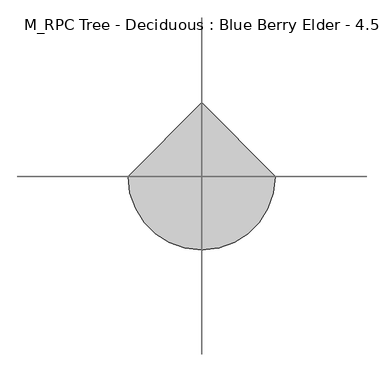
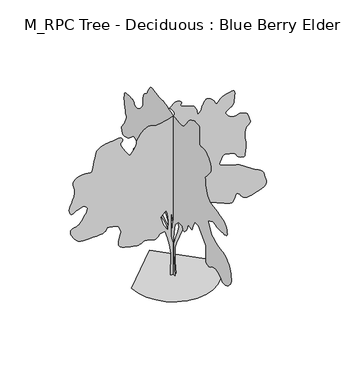
"""IFC4 building model written with IfcOpenShell, lengths in millimetres: geographic element geometry, M_RPC Tree - Deciduous : Blue Berry Elder - 4.5 Meters."""

from ifc_helpers import new_model, si_unit, origin, place, context, project, spatial, triangles, source, transform, mapped, element, save


def m_rpc_tree_deciduous_blue_berry_elder_4_5_meters_0b743bd7(model_context):
    return source(origin(), model_context, "Body", "Tessellation", [
        triangles([(-0.0014684, 58.7037978, 0.0041346), (-0.0014684, -62.498052, 0.0041346), (-0.0014684, -15.3641626, 565.6129683), (-0.0014684, -1.8971866, 909.0182064), (-0.0014684, -22.0974929, 1104.2884094), (-0.0014684, -75.9650625, 1326.4911255), (-0.0014684, -224.1009287, 1474.6287403), (-0.0014684, -378.970291, 1474.6287403), (-0.0014684, -412.6378218, 1380.3586224), (-0.0014684, -479.9703761, 1387.0936764), (-0.0014684, -554.0404552, 1474.6287403), (-0.0014684, -601.1729708, 1568.8962421), (-0.0014684, -628.1080273, 1663.1638893), (-0.0014684, -702.1755993, 1636.2313763), (-0.0014684, -782.9756092, 1629.4963223), (-0.0014684, -857.0431812, 1797.8340122), (-0.0014684, -910.9107508, 1898.8340973), (-0.0014684, -1059.0483656, 1892.1015141), (-0.0014684, -1173.5159426, 1797.8340122), (-0.0014684, -1382.2535648, 1575.6288254), (-0.0014684, -1388.9861481, 1353.4261093), (-0.0014684, -1386.9236286, 1327.021035), (-0.0014684, -1382.3910564, 1295.553479), (-0.0014684, -1377.8561588, 1261.3760593), (-0.0014684, -1375.7936394, 1226.8434288), (-0.0014684, -1378.6786377, 1194.3159811), (-0.0014684, -1388.9861481, 1166.1459709), (-0.0014684, -1409.1860779, 1144.6884144), (-0.0014684, -1434.4711624, 1129.1809307), (-0.0014684, -1458.931152, 1117.9109064), (-0.0014684, -1483.3911415, 1111.8258854), (-0.0014684, -1508.676226, 1111.8659266), (-0.0014684, -1535.6112099, 1118.9734142), (-0.0014684, -1565.0162464, 1134.0884073), (-0.0014684, -1597.723843, 1158.1559063), (-0.0014684, -1638.2812511, 1183.6959898), (-0.0014684, -1688.0263252, 1202.5210035), (-0.0014684, -1742.9539318, 1214.5159836), (-0.0014684, -1799.0589375, 1219.5610245), (-0.0014684, -1852.3364994, 1217.541017), (-0.0014684, -1898.7841003, 1208.3335121), (-0.0014684, -1934.3939907, 1191.8234734), (-0.0014684, -1963.8416119, 1167.0484594), (-0.0014684, -1995.1716763, 1136.2684341), (-0.0014684, -2029.446619, 1104.1908863), (-0.0014684, -2067.729166, 1075.5283916), (-0.0014684, -2111.0741947, 1054.9958513), (-0.0014684, -2160.5442856, 1047.2983561), (-0.0014684, -2217.1992577, 1057.1533504), (-0.0014684, -2275.1493542, 1083.4008762), (-0.0014684, -2327.0944393, 1119.5408941), (-0.0014684, -2371.9694618, 1162.2784744), (-0.0014684, -2408.7193989, 1208.3134552), (-0.0014684, -2436.2819607, 1254.3485813), (-0.0014684, -2453.5944214, 1297.0836182), (-0.0014684, -2459.6019035, 1333.2260342), (-0.0014684, -2455.754464, 1372.7236233), (-0.0014684, -2445.3120781, 1424.1161259), (-0.0014684, -2429.919413, 1481.9887562), (-0.0014684, -2411.2318909, 1540.9212055), (-0.0014684, -2390.8944695, 1595.4962173), (-0.0014684, -2370.5569027, 1640.2937737), (-0.0014684, -2351.8669098, 1669.8963272), (-0.0014684, -2330.1568977, 1694.4363991), (-0.0014684, -2300.199424, 1725.2163517), (-0.0014684, -2262.8217636, 1758.5913494), (-0.0014684, -2218.8493023, 1790.903912), (-0.0014684, -2169.1042282, 1818.5039715), (-0.0014684, -2114.4116364, 1837.74146), (-0.0014684, -2055.5966217, 1844.9664551), (-0.0014684, -1994.4066067, 1849.8740044), (-0.0014684, -1932.1566273, 1863.6164795), (-0.0014684, -1869.0239983, 1884.7189705), (-0.0014684, -1805.1839996, 1911.7115089), (-0.0014684, -1740.8139462, 1943.1215103), (-0.0014684, -1676.0888271, 1977.4765354), (-0.0014684, -1611.1888641, 2013.3016743), (-0.0014684, -1469.786158, 2275.9068661), (-0.0014684, -1685.2562908, 2376.9094219), (-0.0014684, -1714.2713802, 2368.3093655), (-0.0014684, -1744.228854, 2360.0643745), (-0.0014684, -1776.0713871, 2352.5268986), (-0.0014684, -1810.7388931, 2346.049387), (-0.0014684, -1849.1765179, 2340.9844345), (-0.0014684, -1892.3265003, 2337.686816), (-0.0014684, -1941.1290447, 2336.5069462), (-0.0014684, -1996.881601, 2336.291843), (-0.0014684, -2057.3441895, 2336.4293346), (-0.0014684, -2118.1616982, 2338.0968201), (-0.0014684, -2174.9742188, 2342.4769306), (-0.0014684, -2223.421843, 2350.7393623), (-0.0014684, -2259.1517841, 2364.0693626), (-0.0014684, -2277.7993378, 2383.6418598), (-0.0014684, -2281.3744102, 2414.4819832), (-0.0014684, -2275.8767807, 2457.2194908), (-0.0014684, -2262.9592552, 2506.4269524), (-0.0014684, -2244.2692623, 2556.7020813), (-0.0014684, -2221.4593174, 2602.6271851), (-0.0014684, -2196.1742329, 2638.7770134), (-0.0014684, -2170.0641987, 2659.7021896), (-0.0014684, -2143.7192951, 2670.2021301), (-0.0014684, -2115.1367374, 2679.2771576), (-0.0014684, -2082.0791622, 2687.9772079), (-0.0014684, -2042.3065899, 2697.4022141), (-0.0014684, -1993.581657, 2708.6021118), (-0.0014684, -1933.6665642, 2722.6021294), (-0.0014684, -1860.326564, 2740.5021996), (-0.0014684, -1781.7239491, 2758.3022758), (-0.0014684, -1708.0688519, 2773.1522415), (-0.0014684, -1640.1838966, 2787.8522163), (-0.0014684, -1578.8962132, 2805.302314), (-0.0014684, -1525.0287163, 2828.2773651), (-0.0014684, -1479.4062103, 2859.6021973), (-0.0014684, -1442.8536449, 2902.1272179), (-0.0014684, -1414.8411106, 2953.5272781), (-0.0014684, -1393.5411026, 3009.1773697), (-0.0014684, -1377.8361019, 3068.3775352), (-0.0014684, -1366.6061188, 3130.3775299), (-0.0014684, -1358.7336342, 3194.527684), (-0.0014684, -1353.1011292, 3260.0777527), (-0.0014684, -1348.5861431, 3326.3277786), (-0.0014684, -1398.7811897, 3378.2528069), (-0.0014684, -1447.1536732, 3430.0528427), (-0.0014684, -1491.8711472, 3481.6278923), (-0.0014684, -1531.1136646, 3532.8529633), (-0.0014684, -1563.0537209, 3583.577774), (-0.0014684, -1585.8662819, 3633.7529091), (-0.0014684, -1597.723843, 3683.2030884), (-0.0014684, -1593.7188549, 3737.8779488), (-0.0014684, -1572.2812099, 3799.8529449), (-0.0014684, -1536.5912373, 3863.2281464), (-0.0014684, -1489.8311554, 3922.153038), (-0.0014684, -1435.1786774, 3970.7032722), (-0.0014684, -1375.8135509, 4002.9783371), (-0.0014684, -1314.918576, 4013.128299), (-0.0014684, -1258.4585049, 4010.1031929), (-0.0014684, -1210.3634754, 4007.7533363), (-0.0014684, -1170.7484516, 4007.6533424), (-0.0014684, -1139.7309408, 4011.3281181), (-0.0014684, -1117.4309212, 4020.3031517), (-0.0014684, -1103.9633566, 4036.1033501), (-0.0014684, -1099.4483706, 4060.2783279), (-0.0014684, -1101.1558971, 4105.3531929), (-0.0014684, -1104.8659178, 4175.1532928), (-0.0014684, -1108.4584311, 4258.1534592), (-0.0014684, -1109.8133629, 4342.8035248), (-0.0014684, -1106.8083864, 4417.5536133), (-0.0014684, -1097.3283691, 4470.8785561), (-0.0014684, -1079.2483681, 4491.2037689), (-0.0014684, -1052.7858845, 4492.578685), (-0.0014684, -1020.9033102, 4495.6035004), (-0.0014684, -985.6082989, 4498.6286064), (-0.0014684, -948.8982576, 4500.0035225), (-0.0014684, -912.7757532, 4498.07864), (-0.0014684, -879.2456778, 4491.2037689), (-0.0014684, -850.3106707, 4477.7537178), (-0.0014684, -822.8281912, 4461.7535316), (-0.0014684, -792.8706448, 4447.2035477), (-0.0014684, -761.2631264, 4432.1535942), (-0.0014684, -728.8330564, 4414.7534935), (-0.0014684, -696.4030592, 4393.1286507), (-0.0014684, -664.7980116, 4365.3786003), (-0.0014684, -634.8405378, 4329.6034584), (-0.0014684, -604.8054889, 4286.4284775), (-0.0014684, -572.6504748, 4239.8534134), (-0.0014684, -538.7279451, 4193.0283646), (-0.0014684, -503.3904219, 4149.1534264), (-0.0014684, -466.9953687, 4111.403405), (-0.0014684, -429.8928369, 4082.9533974), (-0.0014684, -392.4378193, 4067.0032082), (-0.0014684, -354.0977903, 4061.0282822), (-0.0014684, -314.1102602, 4059.6533661), (-0.0014684, -272.4727218, 4061.703241), (-0.0014684, -229.1851932, 4065.9782707), (-0.0014684, -184.2498909, 4071.3282349), (-0.0014684, -137.6653616, 4076.5532066), (-0.0014684, -89.4320684, 4080.4782578), (-0.0014684, -32.5020268, 4087.803392), (-0.0014684, 35.3820291, 4102.1033913), (-0.0014684, 107.0353362, 4120.403437), (-0.0014684, 175.2726409, 4139.7534187), (-0.0014684, 232.909439, 4157.2282242), (-0.0014684, 272.7602224, 4169.8783241), (-0.0014684, 287.6402371, 4174.7283188), (-0.0014684, 295.8277461, 4177.2784538), (-0.0014684, 318.5002539, 4183.6033585), (-0.0014684, 352.8352947, 4191.7034454), (-0.0014684, 396.002827, 4199.553257), (-0.0014684, 445.1803485, 4205.1534966), (-0.0014684, 497.5354013, 4206.5284126), (-0.0014684, 550.2454471, 4201.678418), (-0.0014684, 608.3329988, 4200.728476), (-0.0014684, 675.2555128, 4211.4534027), (-0.0014684, 745.8280947, 4228.1785446), (-0.0014684, 814.8706827, 4245.2533745), (-0.0014684, 877.2007444, 4257.0285278), (-0.0014684, 927.6307331, 4257.8534775), (-0.0014684, 960.9857466, 4242.0785683), (-0.0014684, 983.9932812, 4214.9534798), (-0.0014684, 1006.5283155, 4185.8035149), (-0.0014684, 1028.1233637, 4155.1533508), (-0.0014684, 1048.3033819, 4123.4282524), (-0.0014684, 1066.5983408, 4091.1031906), (-0.0014684, 1082.5408997, 4058.6781349), (-0.0014684, 1095.6533987, 4026.6033485), (-0.0014684, 1111.3184309, 3999.2282753), (-0.0014684, 1133.5808802, 3978.353096), (-0.0014684, 1159.9634268, 3960.5283119), (-0.0014684, 1187.9984888, 3942.3532585), (-0.0014684, 1215.2059851, 3920.4031448), (-0.0014684, 1239.1159355, 3891.2531799), (-0.0014684, 1257.255962, 3851.5279884), (-0.0014684, 1268.2685165, 3817.1530518), (-0.0014684, 1273.6285091, 3800.8031776), (-0.0014684, 1275.1010937, 3794.1030052), (-0.0014684, 1274.4534588, 3788.7030441), (-0.0014684, 1273.451049, 3776.252932), (-0.0014684, 1273.8635239, 3748.3528908), (-0.0014684, 1277.4560371, 3696.6528488), (-0.0014684, 1283.7985279, 3637.6029648), (-0.0014684, 1291.9060272, 3591.1778915), (-0.0014684, 1302.7210648, 3554.2528198), (-0.0014684, 1317.1884956, 3523.8279327), (-0.0014684, 1336.2511402, 3496.8278366), (-0.0014684, 1360.8486214, 3470.1527206), (-0.0014684, 1391.9260849, 3440.8027679), (-0.0014684, 1427.2211689, 3411.5778076), (-0.0014684, 1463.2262386, 3387.677813), (-0.0014684, 1498.9912067, 3369.4027657), (-0.0014684, 1533.5812466, 3357.1526413), (-0.0014684, 1566.0512123, 3351.2777092), (-0.0014684, 1595.4587196, 3352.1026588), (-0.0014684, 1620.8612389, 3360.002758), (-0.0014684, 1639.7087803, 3375.502684), (-0.0014684, 1652.8988182, 3396.6528465), (-0.0014684, 1664.6789131, 3420.0528717), (-0.0014684, 1679.2838356, 3442.2776779), (-0.0014684, 1700.9563499, 3459.9027649), (-0.0014684, 1733.936459, 3469.5277588), (-0.0014684, 1782.4638748, 3467.7278687), (-0.0014684, 1840.5514629, 3464.2277916), (-0.0014684, 1897.5815575, 3466.9779144), (-0.0014684, 1950.8390625, 3469.852739), (-0.0014684, 1997.6216721, 3466.7029312), (-0.0014684, 2035.2141449, 3451.4277008), (-0.0014684, 2060.9117043, 3417.9027122), (-0.0014684, 2072.001725, 3360.002758), (-0.0014684, 2074.396637, 3302.2527946), (-0.0014684, 2075.4967152, 3266.6526421), (-0.0014684, 2074.8291687, 3243.2026199), (-0.0014684, 2071.9241135, 3221.8774681), (-0.0014684, 2066.3091946, 3192.6275093), (-0.0014684, 2057.5140919, 3145.5024788), (-0.0014684, 2045.069212, 3070.4524086), (-0.0014684, 2028.7941879, 2993.7774376), (-0.0014684, 2011.3440903, 2941.8274109), (-0.0014684, 1996.4816254, 2904.7273499), (-0.0014684, 1987.9815628, 2872.5772774), (-0.0014684, 1989.6115505, 2835.4772163), (-0.0014684, 2005.1390911, 2783.5271896), (-0.0014684, 2038.3341579, 2706.8522186), (-0.0014684, 2081.1517479, 2626.4521843), (-0.0014684, 2121.139278, 2566.6770538), (-0.0014684, 2155.4742462, 2522.5771294), (-0.0014684, 2181.326738, 2489.1794586), (-0.0014684, 2195.8742512, 2461.5570168), (-0.0014684, 2196.286726, 2434.7619953), (-0.0014684, 2179.7367187, 2403.841935), (-0.0014684, 2160.4392048, 2371.8244125), (-0.0014684, 2149.859182, 2345.5768867), (-0.0014684, 2141.0441677, 2325.9269234), (-0.0014684, 2127.0467663, 2313.6968559), (-0.0014684, 2100.919146, 2309.7119247), (-0.0014684, 2055.7091148, 2314.7969341), (-0.0014684, 1984.4666611, 2329.7743629), (-0.0014684, 1906.7291096, 2358.6118469), (-0.0014684, 1844.06651, 2399.6994553), (-0.0014684, 1792.5939251, 2445.4995667), (-0.0014684, 1748.4239468, 2488.4719437), (-0.0014684, 1707.671347, 2521.0769302), (-0.0014684, 1666.4437763, 2535.7769051), (-0.0014684, 1620.8612389, 2525.0519783), (-0.0014684, 1576.9088345, 2499.6619583), (-0.0014684, 1542.1411892, 2475.3396057), (-0.0014684, 1515.031216, 2451.8994667), (-0.0014684, 1494.0461597, 2429.166988), (-0.0014684, 1477.653701, 2406.9644188), (-0.0014684, 1464.3237007, 2385.1144444), (-0.0014684, 1452.526165, 2363.44193), (-0.0014684, 1471.2737125, 2344.7718487), (-0.0014684, 1489.9612347, 2326.6344383), (-0.0014684, 1508.5336475, 2309.5543762), (-0.0014684, 1526.9262749, 2294.0668041), (-0.0014684, 1545.0862129, 2280.6968353), (-0.0014684, 1562.9512562, 2269.9793209), (-0.0014684, 1580.4612339, 2262.4393742), (-0.0014684, 1599.1313152, 2259.024321), (-0.0014684, 1619.331245, 2258.1993713), (-0.0014684, 1639.2963055, 2256.7868122), (-0.0014684, 1657.2588718, 2251.6042797), (-0.0014684, 1671.4513195, 2239.4718807), (-0.0014684, 1680.1087852, 2217.2092861), (-0.0014684, 1681.4637897, 2181.6392189), (-0.0014684, 1676.9863014, 2141.9842266), (-0.0014684, 1669.5664055, 2107.6292015), (-0.0014684, 1659.5537899, 2075.631736), (-0.0014684, 1647.3038109, 2043.0441902), (-0.0014684, 1633.1713886, 2006.9216858), (-0.0014684, 1617.5037403, 1964.3241405), (-0.0014684, 1600.6613091, 1912.3015892), (-0.0014684, 1583.268766, 1853.7415009), (-0.0014684, 1567.0537674, 1795.0639778), (-0.0014684, 1554.0188072, 1738.6264343), (-0.0014684, 1546.1662342, 1686.7788723), (-0.0014684, 1545.4986877, 1641.8837929), (-0.0014684, 1554.0188072, 1606.2938141), (-0.0014684, 1573.728796, 1582.3637341), (-0.0014684, 1599.1112583, 1566.4212479), (-0.0014684, 1623.4337563, 1552.9562267), (-0.0014684, 1646.8738953, 1541.5487835), (-0.0014684, 1669.606374, 1531.7937103), (-0.0014684, 1691.8087978, 1523.2737362), (-0.0014684, 1713.6589176, 1515.5787117), (-0.0014684, 1735.331432, 1508.2936913), (-0.0014684, 1758.2389, 1518.0512352), (-0.0014684, 1780.0888744, 1525.7462597), (-0.0014684, 1799.8189201, 1529.318716), (-0.0014684, 1816.3664566, 1526.7087009), (-0.0014684, 1828.676461, 1515.8536949), (-0.0014684, 1835.6840275, 1494.6911785), (-0.0014684, 1836.331517, 1461.1612484), (-0.0014684, 1830.501495, 1425.4711304), (-0.0014684, 1819.3715057, 1398.2636341), (-0.0014684, 1803.8239082, 1378.1211136), (-0.0014684, 1784.7414974, 1363.6336258), (-0.0014684, 1763.0089577, 1353.3861408), (-0.0014684, 1739.5114094, 1345.9660995), (-0.0014684, 1715.128886, 1339.9586174), (-0.0014684, 1703.5663651, 1332.6360992), (-0.0014684, 1691.8864094, 1324.6660915), (-0.0014684, 1679.9712936, 1315.4011047), (-0.0014684, 1667.701403, 1304.1910332), (-0.0014684, 1654.9613377, 1290.3910034), (-0.0014684, 1641.6313374, 1273.3510551), (-0.0014684, 1627.5962929, 1252.4235535), (-0.0014684, 1608.2588104, 1230.1234612), (-0.0014684, 1580.0887276, 1209.2360006), (-0.0014684, 1544.5563034, 1189.5259392), (-0.0014684, 1503.1336864, 1170.7584801), (-0.0014684, 1457.2962227, 1152.6984632), (-0.0014684, 1408.5135899, 1135.1084032), (-0.0014684, 1358.2586632, 1117.7559013), (-0.0014684, 1196.6559546, 1212.0234758), (-0.0014684, 1035.0533186, 1090.8208448), (-0.0014684, 1013.4382862, 1088.0133854), (-0.0014684, 992.0007866, 1085.6783535), (-0.0014684, 970.9182798, 1084.2833805), (-0.0014684, 950.3632845, 1084.3033648), (-0.0014684, 930.5182749, 1086.2084084), (-0.0014684, 911.5532261, 1090.4683954), (-0.0014684, 893.6507578, 1097.5558989), (-0.0014684, 877.0431959, 1106.938393), (-0.0014684, 861.3756929, 1117.3809242), (-0.0014684, 845.9456755, 1128.295883), (-0.0014684, 830.0457012, 1139.0934071), (-0.0014684, 812.9656391, 1149.1834162), (-0.0014684, 794.0031338, 1157.9784462), (-0.0014684, 772.4481268, 1164.8884169), (-0.0014684, 748.1855816, 1170.2684664), (-0.0014684, 721.8005642, 1174.9409283), (-0.0014684, 693.6505383, 1179.0234552), (-0.0014684, 664.0855551, 1182.6359528), (-0.0014684, 633.4605349, 1185.8934574), (-0.0014684, 602.1304705, 1188.9184908), (-0.0014684, 570.4454495, 1191.8234734), (-0.0014684, 361.7077909, 1131.2209225), (-0.0014684, 186.6391528, 1003.2857809), (-0.0014684, 92.3710787, 848.418199), (-0.0014684, 45.2367873, 552.1454401), (-0.0013758, 65.4370532, 1097.5558989), (-0.0013758, 166.4388778, 1313.0261044), (-0.0013758, 4.8361539, 1380.3586224), (-0.0013882, 307.8402577, 1171.6234709), (-0.0013882, 469.4428937, 1279.3585373), (-0.0013882, 597.3779989, 1286.0909752), (-0.0013882, 705.1130653, 1346.6910553), (-0.0013882, 699.3031002, 1349.8135391), (-0.0013882, 693.2555769, 1354.3485821), (-0.0013882, 686.7405676, 1361.7110687), (-0.0013882, 679.5155725, 1373.3110874), (-0.0013882, 671.3480478, 1390.5686096), (-0.0013882, 662.0055222, 1414.8911076), (-0.0013882, 651.2454958, 1447.6936111), (-0.0013882, 642.6479828, 1480.1036968), (-0.0013882, 639.3505096, 1503.3287327), (-0.0013882, 640.4680286, 1518.8962418), (-0.0013882, 645.1205063, 1528.3386887), (-0.0013882, 652.425511, 1533.1862125), (-0.0013882, 661.4930534, 1534.9737488), (-0.0013882, 671.4480417, 1535.2286751), (-0.0013882, 678.1805523, 1616.0288303), (-0.0013882, 597.3779989, 1669.8963272), (-0.0013882, 422.3103418, 1521.7611832), (-0.0013882, 301.1077472, 1380.3586224), (-0.0013882, 220.3061749, 1265.8910454), (-0.0013882, 139.504866, 1084.0884069), (66.6360534, 0.0002629, 0.0), (-68.0330566, 0.0002629, 0.0), (-61.2998012, 0.0002272, 552.142933), (-94.9670776, 0.0002139, 794.5456152), (-142.1008648, 0.0002005, 996.5483288), (-202.7016716, 0.0001916, 1178.3509672), (-323.9027584, 0.0001916, 1164.8859461), (-344.1627863, 0.0001916, 1136.3209019), (-364.7752999, 0.000196, 1109.5258804), (-386.0953285, 0.000196, 1086.2633469), (-408.4753215, 0.000196, 1068.3008532), (-432.2678372, 0.0002005, 1057.4058786), (-457.8253615, 0.0002005, 1055.3433592), (-485.5053944, 0.000196, 1063.8833902), (-514.9529065, 0.000196, 1076.7408903), (-545.4604557, 0.000196, 1086.7733448), (-576.8504728, 0.000196, 1094.448385), (-608.9454978, 0.000196, 1100.2409094), (-641.5730484, 0.000196, 1104.6184038), (-674.5530121, 0.000196, 1108.0533686), (-707.7105812, 0.000196, 1111.0183765), (-735.2131176, 0.000196, 1095.3133759), (-763.2456362, 0.000196, 1080.6083868), (-792.3406626, 0.000196, 1067.9083626), (-823.0231647, 0.000196, 1058.210844), (-855.8256683, 0.0002005, 1052.5183863), (-891.280699, 0.0002005, 1051.8308556), (-929.9132246, 0.0002005, 1057.1508797), (-979.8558157, 0.000196, 1066.7883728), (-1044.1658438, 0.000196, 1079.0183676), (-1115.7808765, 0.000196, 1094.7833937), (-1187.630924, 0.000196, 1115.0233646), (-1252.6485397, 0.0001916, 1140.6809555), (-1303.7660591, 0.0001916, 1172.6984779), (-1333.9185791, 0.0001871, 1212.0184616), (-1343.6560661, 0.0001871, 1258.8785374), (-1340.9085594, 0.0001827, 1310.6835148), (-1329.6785763, 0.0001782, 1364.141153), (-1313.9735756, 0.0001782, 1415.9461304), (-1297.7985455, 0.0001738, 1462.8062061), (-1285.1560032, 0.0001738, 1501.4186749), (-1280.0510822, 0.0001693, 1528.4912956), (-1282.3885849, 0.0001693, 1551.6362492), (-1288.8460396, 0.0001693, 1579.2562202), (-1298.6035835, 0.0001648, 1609.2337509), (-1310.8335056, 0.0001648, 1639.4462963), (-1324.7136177, 0.0001604, 1667.7737823), (-1339.4160633, 0.0001604, 1692.0964256), (-1354.121125, 0.0001604, 1710.2938614), (-1373.4561367, 0.0001604, 1723.3488785), (-1401.6286903, 0.0001559, 1733.9289013), (-1437.1586437, 0.0001559, 1742.4488754), (-1478.5812607, 0.0001559, 1749.3189503), (-1524.4187244, 0.0001559, 1754.9539261), (-1573.2012119, 0.0001559, 1759.7639523), (-1623.456284, 0.0001559, 1764.1613583), (-1631.2713593, 0.0001559, 1738.3664211), (-1642.6763317, 0.0001604, 1713.6314484), (-1661.2663307, 0.0001604, 1691.0164043), (-1690.6363403, 0.0001604, 1671.5813988), (-1734.3739323, 0.0001604, 1656.386396), (-1796.0739452, 0.0001648, 1646.4938313), (-1879.3290379, 0.0001648, 1642.9588726), (-1971.5741341, 0.0001648, 1640.6613384), (-2057.4616241, 0.0001648, 1636.1262955), (-2136.396777, 0.0001648, 1632.8888477), (-2207.7943085, 0.0001648, 1634.478867), (-2271.0668999, 0.0001648, 1644.4313118), (-2325.619384, 0.0001604, 1666.2812862), (-2370.8693836, 0.0001604, 1703.5614235), (-2411.8019142, 0.0001559, 1752.5588688), (-2450.9643494, 0.0001559, 1805.3264328), (-2484.1219185, 0.0001515, 1859.0389973), (-2507.0269157, 0.000147, 1910.8640316), (-2515.4519829, 0.0001426, 1957.9790337), (-2505.1520302, 0.0001426, 1997.554089), (-2471.8720848, 0.0001426, 2026.7640793), (-2428.4670307, 0.0001381, 2045.1192089), (-2390.1269291, 0.0001381, 2056.5266521), (-2356.1468811, 0.0001381, 2064.7517315), (-2325.816901, 0.0001381, 2073.5667458), (-2298.4317993, 0.0001381, 2086.7391975), (-2273.2843517, 0.0001337, 2108.0367348), (-2249.6667526, 0.0001337, 2141.2342724), (-2221.7142437, 0.0001292, 2184.9518074), (-2187.6342018, 0.0001292, 2233.7342949), (-2152.8467903, 0.0001247, 2285.2267914), (-2122.7717365, 0.0001203, 2337.0718826), (-2102.826733, 0.0001203, 2386.9169506), (-2098.4291817, 0.0001158, 2432.401965), (-2114.9992458, 0.0001158, 2471.1721275), (-2145.426749, 0.0001114, 2498.537027), (-2178.6816959, 0.0001114, 2512.8271431), (-2214.2917316, 0.0001114, 2516.2269356), (-2251.7868267, 0.0001114, 2510.9019699), (-2290.6968063, 0.0001114, 2499.0494957), (-2330.5468449, 0.0001114, 2482.831881), (-2370.8693836, 0.0001158, 2464.439399), (-2399.569376, 0.0001158, 2448.8118645), (-2427.3294548, 0.0001158, 2434.6595306), (-2453.2020035, 0.0001158, 2423.4494591), (-2476.2471085, 0.0001158, 2416.6569958), (-2495.5270363, 0.0001158, 2415.7544346), (-2510.1020187, 0.0001158, 2422.2118893), (-2519.0020569, 0.0001158, 2437.5044151), (-2525.7269371, 0.0001158, 2456.4494797), (-2533.1520653, 0.0001158, 2474.4518692), (-2539.5019684, 0.0001114, 2493.8669632), (-2543.0270439, 0.0001114, 2517.0521759), (-2541.977108, 0.0001114, 2546.3521317), (-2534.5519798, 0.0001069, 2584.15215), (-2519.0020569, 0.0001025, 2632.7770889), (-2498.1969315, 0.0001025, 2684.6521202), (-2477.0345604, 9.8e-05, 2732.0771324), (-2456.8145737, 9.8e-05, 2777.1272896), (-2438.8319504, 9.36e-05, 2821.9271713), (-2424.3844311, 8.91e-05, 2868.6522263), (-2414.7643787, 8.91e-05, 2919.3523293), (-2411.2693886, 8.47e-05, 2976.1773491), (-2415.2169674, 8.02e-05, 3030.6775108), (-2424.696912, 8.02e-05, 3074.9274261), (-2436.1819668, 7.57e-05, 3111.8774963), (-2446.1344116, 7.57e-05, 3144.4525429), (-2451.0245201, 7.13e-05, 3175.6276749), (-2447.311956, 7.13e-05, 3208.3277138), (-2431.4719345, 6.68e-05, 3245.527478), (-2401.6519524, 6.68e-05, 3281.1526291), (-2361.1144558, 6.24e-05, 3307.9527374), (-2313.9793968, 6.24e-05, 3326.977739), (-2264.3718143, 6.24e-05, 3339.2775696), (-2216.4142765, 6.24e-05, 3345.9277451), (-2174.2267353, 6.24e-05, 3348.0026184), (-2141.9342297, 6.24e-05, 3346.5277084), (-2114.2341763, 6.24e-05, 3341.002755), (-2084.4141941, 6.24e-05, 3332.902668), (-2054.4766319, 6.24e-05, 3326.2027863), (-2026.4241291, 6.24e-05, 3324.9275734), (-2002.2565636, 6.24e-05, 3333.0776573), (-1983.9816616, 6.24e-05, 3354.6527939), (-1973.5965397, 5.79e-05, 3393.652739), (-1964.8216393, 5.35e-05, 3450.0277863), (-1951.2165104, 5.35e-05, 3517.3777451), (-1934.5515392, 4.9e-05, 3590.1279556), (-1916.5891182, 4.46e-05, 3662.7528831), (-1899.0965813, 4.01e-05, 3729.7281555), (-1883.8440239, 3.56e-05, 3785.5279472), (-1872.5939838, 3.12e-05, 3824.6031784), (-1852.5114887, 3.12e-05, 3852.8781967), (-1813.3489082, 3.12e-05, 3879.4030312), (-1760.7564789, 2.67e-05, 3903.2280304), (-1700.3914135, 2.67e-05, 3923.3782539), (-1637.906274, 2.67e-05, 3938.9531754), (-1578.9537678, 2.67e-05, 3948.9781448), (-1529.1887821, 2.67e-05, 3952.5282188), (-1482.7811497, 2.67e-05, 3955.978299), (-1432.4861092, 2.67e-05, 3963.6781197), (-1381.8386192, 2.67e-05, 3971.6032173), (-1334.3710224, 2.23e-05, 3975.7782532), (-1293.6160973, 2.67e-05, 3972.1531837), (-1263.1109825, 2.67e-05, 3956.7782501), (-1246.3835152, 2.67e-05, 3925.6031181), (-1245.9735111, 3.12e-05, 3891.2531799), (-1257.1035004, 3.12e-05, 3865.2780212), (-1272.3560577, 3.12e-05, 3842.0279869), (-1284.3134674, 3.56e-05, 3815.8281326), (-1285.5485664, 3.56e-05, 3781.0029327), (-1268.6459644, 4.01e-05, 3731.9530197), (-1226.1860561, 4.46e-05, 3663.0028679), (-1175.7534513, 4.9e-05, 3589.303006), (-1137.6884056, 4.9e-05, 3530.2028343), (-1108.6933731, 5.35e-05, 3486.3028976), (-1085.4708807, 5.35e-05, 3458.2028687), (-1064.7208391, 5.79e-05, 3446.4527138), (-1043.1458479, 5.35e-05, 3451.6776855), (-1017.4482885, 5.35e-05, 3474.4527489), (-990.2407923, 5.35e-05, 3507.3527756), (-966.3282984, 4.9e-05, 3542.2529709), (-945.7157484, 4.9e-05, 3578.7027809), (-928.403215, 4.46e-05, 3616.2028175), (-914.3857567, 4.46e-05, 3654.2778191), (-903.6682423, 4.01e-05, 3692.4781036), (-896.2457302, 4.01e-05, 3730.3281189), (-882.6607309, 3.56e-05, 3773.9530724), (-855.1781788, 3.12e-05, 3826.1530838), (-816.3881773, 3.12e-05, 3881.5531906), (-768.880612, 2.67e-05, 3934.7281425), (-715.2480572, 2.23e-05, 3980.2282722), (-658.0830145, 2.23e-05, 4012.6533279), (-599.9754785, 2.23e-05, 4026.6033485), (-552.8204352, 2.23e-05, 4024.7781693), (-521.215424, 2.23e-05, 4016.1031174), (-496.7928958, 2.23e-05, 4004.503244), (-471.1953667, 2.23e-05, 3993.8533127), (-436.0553604, 2.23e-05, 3988.0280869), (-383.0128132, 2.23e-05, 3990.9032021), (-303.7027378, 2.23e-05, 4006.4031281), (-214.7551692, 2.23e-05, 4026.5783501), (-138.763614, 2.23e-05, 4042.5282486), (-76.3173075, 1.78e-05, 4056.5782631), (-28.0055217, 1.78e-05, 4071.1032486), (5.5830293, 1.78e-05, 4088.4533524), (23.8594698, 1.78e-05, 4110.9784309), (26.2347722, 1.34e-05, 4141.0533394), (18.3040142, 1.34e-05, 4173.7283798), (6.4862053, 8.9e-06, 4202.8533463), (-8.5707069, 8.9e-06, 4229.0534912), (-26.219021, 8.9e-06, 4252.8784904), (-45.810535, 4.5e-06, 4274.9535965), (-66.6978047, 4.5e-06, 4295.8284851), (-88.2330682, 4.5e-06, 4316.1284088), (-60.8870493, 4.5e-06, 4341.9035797), (-33.9532782, 0.0, 4366.5035316), (-7.8441564, 0.0, 4388.753627), (17.0283143, 0.0, 4407.4536484), (40.2517809, 0.0, 4421.4536659), (61.4140475, -4.5e-06, 4429.5534622), (80.1028141, -4.5e-06, 4430.6036888), (99.5373291, -4.5e-06, 4426.853627), (121.7990971, 0.0, 4421.2286797), (144.7671174, 0.0, 4413.4535728), (166.3221335, 0.0, 4403.3536079), (184.343399, 0.0, 4390.653511), (196.7109036, 0.0, 4375.1285866), (201.3046639, 0.0, 4356.5285591), (197.1231604, 4.5e-06, 4339.6534264), (187.641399, 4.5e-06, 4327.8285667), (177.4531401, 4.5e-06, 4318.7285408), (171.1516352, 4.5e-06, 4309.9784935), (173.3306447, 4.5e-06, 4299.2035698), (188.5839106, 4.5e-06, 4284.1033287), (221.5051751, 8.9e-06, 4262.2784981), (265.7927153, 8.9e-06, 4240.0534012), (311.140238, 8.9e-06, 4223.8285194), (356.135275, 8.9e-06, 4211.3784073), (399.3628326, 8.9e-06, 4200.4784912), (439.4103518, 1.34e-05, 4188.8533287), (474.8628754, 1.34e-05, 4174.2783463), (504.3104239, 1.34e-05, 4154.528389), (527.7304333, 1.34e-05, 4129.0781982), (546.555447, 1.78e-05, 4099.4032654), (561.5529691, 1.78e-05, 4066.203257), (573.4879601, 2.23e-05, 4030.1531319), (583.1279603, 2.23e-05, 3991.9781364), (591.2354596, 2.67e-05, 3952.4032265), (598.5779984, 2.67e-05, 3912.1280685), (692.8455729, 2.23e-05, 3999.6532494), (692.2180676, 2.23e-05, 4003.2033234), (691.118062, 2.23e-05, 4013.1033005), (690.7255714, 2.23e-05, 4028.2782463), (692.2180676, 2.23e-05, 4047.7282219), (696.7730947, 1.78e-05, 4070.3282959), (705.5680521, 1.78e-05, 4095.0782387), (719.7805567, 1.78e-05, 4120.8534096), (736.0730942, 1.34e-05, 4147.7032242), (751.1906307, 1.34e-05, 4174.7783157), (766.4231312, 8.9e-06, 4199.8285309), (783.0706615, 8.9e-06, 4220.678421), (802.4256575, 8.9e-06, 4235.0284172), (825.7856415, 8.9e-06, 4240.6533646), (854.4482088, 8.9e-06, 4235.3283989), (884.2282225, 8.9e-06, 4222.4283142), (910.4757483, 8.9e-06, 4207.0283821), (933.7782503, 1.34e-05, 4189.5782845), (954.7232655, 1.34e-05, 4170.4782875), (973.9032721, 1.34e-05, 4150.1283669), (991.9033361, 1.34e-05, 4128.9782043), (1009.3183342, 1.78e-05, 4107.4033585), (1013.7732948, 1.78e-05, 4086.0282097), (1018.9957958, 1.78e-05, 4066.2282555), (1025.7483633, 1.78e-05, 4049.6283966), (1034.7983196, 2.23e-05, 4037.7782478), (1046.9108797, 2.23e-05, 4032.3032913), (1062.8508224, 2.23e-05, 4034.7781403), (1083.3859062, 2.23e-05, 4046.8032784), (1105.9034271, 1.78e-05, 4067.7281639), (1128.3008972, 1.78e-05, 4093.828315), (1152.1133972, 1.78e-05, 4122.0533363), (1178.8709209, 1.34e-05, 4149.3534142), (1210.1034622, 1.34e-05, 4172.628447), (1247.3434856, 1.34e-05, 4188.8533287), (1292.120985, 1.34e-05, 4194.9282486), (1340.4335884, 8.9e-06, 4200.0785156), (1385.9186028, 8.9e-06, 4211.3534088), (1426.5736794, 8.9e-06, 4222.5033096), (1460.3986496, 8.9e-06, 4227.2783089), (1485.388694, 8.9e-06, 4219.4784943), (1499.543644, 1.34e-05, 4192.8033783), (1500.85868, 1.34e-05, 4141.0533394), (1496.0287422, 1.78e-05, 4077.6284317), (1491.9061741, 2.23e-05, 4020.1781593), (1486.7236416, 2.67e-05, 3968.9780869), (1478.7161362, 2.67e-05, 3924.2532005), (1466.111237, 3.12e-05, 3886.2531944), (1447.1487316, 3.12e-05, 3855.2030548), (1420.05867, 3.12e-05, 3831.3280586), (1386.1536175, 3.56e-05, 3811.7280922), (1350.8386219, 3.56e-05, 3792.5031029), (1318.4660339, 3.56e-05, 3772.3281715), (1293.3985233, 3.56e-05, 3749.9030869), (1279.9910568, 4.01e-05, 3723.9529266), (1282.6010719, 4.01e-05, 3693.1530624), (1305.5886223, 4.46e-05, 3656.2529892), (1339.7660419, 4.46e-05, 3620.9528183), (1372.8836426, 4.9e-05, 3594.8529579), (1404.7061188, 4.9e-05, 3576.4029213), (1434.9961304, 4.9e-05, 3564.0778015), (1463.5211334, 4.9e-05, 3556.3279839), (1490.0411716, 4.9e-05, 3551.6529785), (1514.3261719, 4.9e-05, 3548.5278786), (1534.9188103, 4.9e-05, 3550.0027885), (1552.0962502, 4.9e-05, 3557.8278923), (1568.2112549, 4.9e-05, 3568.4778236), (1585.6263256, 4.9e-05, 3578.4527962), (1606.6888481, 4.9e-05, 3584.1530296), (1633.7613235, 4.9e-05, 3582.1028641), (1669.1938992, 4.9e-05, 3568.7278084), (1706.7689312, 4.9e-05, 3552.8279068), (1738.9239452, 4.9e-05, 3542.9279297), (1766.0138615, 4.9e-05, 3535.1528229), (1788.3938908, 4.9e-05, 3525.6028244), (1806.4140118, 5.35e-05, 3510.4278786), (1820.4314701, 5.35e-05, 3485.6779358), (1830.7965351, 5.79e-05, 3447.5276482), (1843.1639488, 5.79e-05, 3405.1526184), (1859.6539307, 6.24e-05, 3369.1527809), (1875.3189629, 6.24e-05, 3337.6276703), (1885.2139984, 6.24e-05, 3308.7026917), (1884.3890488, 6.68e-05, 3280.4526718), (1867.8990669, 6.68e-05, 3251.0527222), (1830.7965351, 7.13e-05, 3218.5776695), (1790.6914249, 7.13e-05, 3174.2274696), (1766.368927, 7.57e-05, 3114.4526299), (1754.6488575, 8.02e-05, 3045.2524933), (1752.3514687, 8.47e-05, 2972.6522736), (1756.2964314, 8.91e-05, 2902.627478), (1763.3064686, 9.36e-05, 2841.2021576), (1770.196455, 9.36e-05, 2794.3773994), (1774.2014431, 9.8e-05, 2756.2771088), (1775.0263927, 9.8e-05, 2717.1021744), (1773.198888, 0.0001025, 2677.0522934), (1769.2539253, 0.0001025, 2636.3021645), (1763.7189434, 0.0001069, 2595.0270676), (1757.121381, 0.0001069, 2553.3769936), (1749.9963799, 0.0001114, 2511.5769287), (1751.0764011, 0.0001114, 2490.1945129), (1749.9764683, 0.0001158, 2470.407058), (1744.5189526, 0.0001158, 2453.7993507), (1732.5238998, 0.0001158, 2441.9619919), (1711.8138268, 0.0001158, 2436.4844193), (1680.2063084, 0.0001158, 2438.9569427), (1635.5263321, 0.0001158, 2450.971907), (1592.8687614, 0.0001158, 2472.329615), (1564.6988239, 0.0001114, 2499.8145653), (1544.891312, 0.0001114, 2530.4769379), (1527.3211636, 0.0001069, 2561.3770866), (1505.8637524, 0.0001069, 2589.5771095), (1474.3961964, 0.0001069, 2612.1021881), (1426.7911079, 0.0001069, 2626.0522087), (1373.8061153, 0.0001025, 2635.8521919), (1329.4210339, 0.0001025, 2646.0271523), (1292.338559, 0.0001025, 2653.6022713), (1261.2609501, 0.0001025, 2655.6521461), (1234.8984604, 0.0001025, 2649.2022491), (1211.9484804, 0.0001025, 2631.3521759), (1191.1209726, 0.0001069, 2599.1021095), (1170.9584679, 0.0001069, 2559.6521919), (1152.6834206, 0.0001114, 2522.5521309), (1139.0008982, 0.0001114, 2488.5071159), (1132.6209097, 0.0001158, 2458.2345451), (1136.2509207, 0.0001158, 2432.4394627), (1152.6034109, 0.0001158, 2411.8269127), (1184.3859913, 0.0001203, 2397.1044102), (1219.3110397, 0.0001203, 2386.6219105), (1246.1060612, 0.0001203, 2377.5519699), (1269.016, 0.0001203, 2368.8369495), (1292.2785336, 0.0001203, 2359.4119434), (1320.1361355, 0.0001203, 2348.2243996), (1356.8260471, 0.0001203, 2334.2069412), (1406.5911781, 0.0001247, 2316.3044003), (1459.7312485, 0.0001247, 2299.7343361), (1505.2162628, 0.0001247, 2288.4668552), (1545.2837299, 0.0001247, 2279.5543179), (1582.1713039, 0.0001247, 2270.0518456), (1618.1138775, 0.0001247, 2257.0168854), (1655.3539009, 0.0001292, 2237.5042683), (1696.128883, 0.0001292, 2208.5692612), (1938.5315289, 0.0001381, 2040.2317165), (1981.0741356, 0.0001426, 2013.7116783), (2030.6815727, 0.0001426, 1989.6615475), (2082.8791134, 0.0001426, 1964.7890831), (2133.1942108, 0.000147, 1935.7940506), (2177.1467606, 0.000147, 1899.3789768), (2210.2642159, 0.0001515, 1852.246534), (2228.0692337, 0.0001559, 1791.0940166), (2241.2617424, 0.0001604, 1726.50886), (2258.5768192, 0.0001604, 1670.1688396), (2272.5942776, 0.0001648, 1620.4237656), (2275.8918961, 0.0001693, 1575.6237385), (2261.0493427, 0.0001693, 1534.1238007), (2220.6493378, 0.0001738, 1494.2737621), (2147.2692238, 0.0001738, 1454.4237236), (2059.4391197, 0.0001782, 1418.5387047), (1980.5616669, 0.0001782, 1391.6035755), (1910.5189945, 0.0001782, 1373.5036629), (1849.1914879, 0.0001782, 1364.121096), (1796.4614216, 0.0001782, 1363.3361149), (1752.2139771, 0.0001782, 1371.0311394), (1716.3289581, 0.0001782, 1387.0885895), (1685.0163345, 0.0001782, 1414.9836891), (1654.6488567, 0.0001738, 1452.773679), (1625.3388725, 0.0001738, 1492.2137135), (1597.2087582, 0.0001693, 1525.0561855), (1570.3712975, 0.0001693, 1543.0562496), (1544.9487213, 0.0001693, 1537.973711), (1521.0587551, 0.0001738, 1501.5561665), (1500.85868, 0.0001738, 1451.6536892), (1484.7811729, 0.0001782, 1411.5286674), (1470.3512398, 0.0001782, 1381.0610504), (1455.0986824, 0.0001782, 1360.1361649), (1436.5486519, 0.0001827, 1348.6310532), (1412.2236832, 0.0001827, 1346.4336582), (1379.656049, 0.0001827, 1353.4210224), (1340.768597, 0.0001782, 1366.1410309), (1299.4060055, 0.0001782, 1380.9835842), (1255.9810398, 0.0001782, 1397.5911461), (1210.9085003, 0.0001782, 1415.6111217), (1164.5984636, 0.0001738, 1434.6936779), (1117.4658754, 0.0001738, 1454.4811329), (1069.9183416, 0.0001738, 1474.6236534), (746.7130697, 0.0001648, 1609.2913055), (558.1779571, 0.0001693, 1528.4912956), (416.7753236, 0.0001827, 1339.9535305), (241.7051957, 0.000196, 1084.0833927), (73.3693089, 0.0002139, 787.8131046), (46.4355377, 0.0002183, 686.8105488), (46.4355377, 0.0002272, 558.8754436), (46.4355377, 0.000245, 289.5377412), (-0.6985081, 8.02e-05, 760.8781208), (66.6360534, 6.68e-05, 949.4157406), (120.5033459, 5.79e-05, 1070.6159008), (140.7033666, 5.35e-05, 1178.3509672), (120.5033459, 4.46e-05, 1299.5535255), (59.9020486, 4.46e-05, 1326.4885094), (49.8315423, 4.46e-05, 1318.123613), (39.937783, 4.46e-05, 1311.5285213), (30.397025, 4.46e-05, 1308.4660629), (21.3865171, 4.46e-05, 1310.7035717), (13.0826351, 4.46e-05, 1320.008527), (5.6620545, 4.46e-05, 1338.1485535), (-0.6985081, 4.01e-05, 1366.8886597), (-6.8627806, 4.01e-05, 1401.5161972), (-13.7337366, 4.01e-05, 1436.1462055), (-21.1935919, 3.56e-05, 1470.7762138), (-29.1245236, 3.56e-05, 1505.4037514), (-37.4087813, 3.12e-05, 1540.0337597), (-45.9287872, 3.12e-05, 1574.663768), (-54.566296, 2.67e-05, 1609.2913055), (-61.2998012, 4.9e-05, 1279.3535957), (-54.566296, 6.24e-05, 1003.2833101), (-128.634354, 8.47e-05, 1185.0859486), (-121.9003446, 7.13e-05, 1420.7561565), (-142.1008648, 6.24e-05, 1609.2913055), (-175.7681412, 5.35e-05, 1717.0264446), (-243.102694, 5.79e-05, 1649.6913105), (-310.4377373, 6.24e-05, 1575.6237385), (-236.368948, 7.57e-05, 1353.4210224), (-1016.5758127, 0.0, 0.0044197), (-989.7007816, -232.9319304, 0.0044197), (-913.1607588, -446.842856, 0.0044197), (-793.0856752, -635.6029913, 0.0044197), (-635.6029913, -793.0856752, 0.0044197), (-446.842856, -913.1607588, 0.0044197), (-232.9319304, -989.7007816, 0.0044197), (4.44e-05, -1016.5758127, 0.0044197), (232.9319304, -989.7007816, 0.0044197), (446.842856, -913.1607588, 0.0044197), (635.6029913, -793.0856752, 0.0044197), (793.0856752, -635.6029913, 0.0044197), (913.1607588, -446.842856, 0.0044197), (989.7007816, -232.9319304, 0.0044197), (1016.5758127, 8.91e-05, 0.0044197), (-0.0001333, 1016.5758127, 0.0044197)], [[379, 1, 382], [380, 404, 405], [379, 382, 380], [378, 379, 380], [404, 380, 381], [380, 405, 406], [377, 378, 380], [377, 380, 406], [376, 377, 406], [376, 406, 383], [376, 383, 384], [375, 376, 384], [375, 384, 385], [374, 375, 385], [1, 2, 3], [373, 374, 385], [373, 385, 386], [372, 373, 386], [371, 372, 386], [370, 371, 386], [8, 9, 10], [8, 10, 11], [369, 370, 386], [14, 15, 16], [13, 14, 16], [368, 369, 386], [8, 11, 12], [367, 368, 386], [8, 12, 13], [351, 352, 353], [404, 381, 382], [403, 404, 382], [148, 149, 150], [147, 148, 150], [147, 150, 151], [146, 147, 151], [146, 151, 152], [146, 152, 153], [146, 153, 154], [145, 146, 154], [145, 154, 155], [145, 155, 156], [145, 156, 157], [145, 157, 158], [144, 145, 158], [144, 158, 159], [144, 159, 160], [144, 160, 161], [144, 161, 162], [144, 162, 163], [143, 144, 163], [143, 163, 164], [143, 164, 165], [142, 143, 165], [142, 165, 166], [141, 142, 166], [141, 166, 167], [141, 167, 168], [141, 168, 169], [140, 141, 169], [366, 367, 386], [350, 351, 353], [7, 8, 13], [92, 93, 94], [91, 92, 94], [91, 94, 95], [90, 91, 95], [90, 95, 96], [89, 90, 96], [89, 96, 97], [88, 89, 97], [88, 97, 98], [88, 98, 99], [88, 99, 100], [88, 100, 101], [88, 101, 102], [88, 102, 103], [87, 88, 103], [87, 103, 104], [87, 104, 105], [86, 87, 105], [86, 105, 106], [85, 86, 106], [84, 85, 106], [84, 106, 107], [83, 84, 107], [82, 83, 107], [81, 82, 107], [81, 107, 108], [80, 81, 108], [79, 80, 108], [79, 108, 109], [79, 109, 110], [78, 79, 110], [78, 110, 111], [78, 111, 112], [78, 112, 113], [78, 113, 114], [349, 350, 353], [271, 272, 273], [270, 271, 273], [270, 273, 274], [269, 270, 274], [269, 274, 275], [268, 269, 275], [268, 275, 276], [267, 268, 276], [266, 267, 276], [265, 266, 276], [264, 265, 276], [263, 264, 276], [262, 263, 276], [262, 276, 277], [262, 277, 278], [261, 262, 278], [261, 278, 279], [260, 261, 279], [260, 279, 280], [259, 260, 280], [259, 280, 281], [258, 259, 281], [258, 281, 282], [327, 328, 329], [327, 329, 330], [326, 327, 330], [326, 330, 331], [325, 326, 331], [325, 331, 332], [324, 325, 332], [324, 332, 333], [324, 333, 334], [324, 334, 335], [324, 335, 336], [324, 336, 337], [324, 337, 338], [323, 324, 338], [322, 323, 338], [322, 338, 339], [321, 322, 339], [321, 339, 340], [320, 321, 340], [320, 340, 341], [320, 341, 342], [319, 320, 342], [319, 342, 343], [318, 319, 343], [318, 343, 344], [317, 318, 344], [317, 344, 345], [317, 345, 346], [317, 346, 347], [317, 347, 348], [317, 348, 349], [317, 349, 353], [316, 317, 353], [315, 316, 353], [314, 315, 353], [257, 258, 282], [13, 16, 17], [365, 366, 386], [244, 245, 246], [244, 246, 247], [243, 244, 247], [243, 247, 248], [242, 243, 248], [241, 242, 248], [241, 248, 249], [241, 249, 250], [241, 250, 251], [241, 251, 252], [241, 252, 253], [240, 241, 253], [240, 253, 254], [239, 240, 254], [238, 239, 254], [237, 238, 254], [236, 237, 254], [235, 236, 254], [234, 235, 254], [233, 234, 254], [233, 254, 255], [233, 255, 256], [233, 256, 257], [233, 257, 282], [232, 233, 282], [231, 232, 282], [230, 231, 282], [230, 282, 283], [229, 230, 283], [229, 283, 284], [228, 229, 284], [228, 284, 285], [227, 228, 285], [227, 285, 286], [226, 227, 286], [226, 286, 287], [225, 226, 287], [225, 287, 288], [224, 225, 288], [224, 288, 289], [396, 397, 398], [396, 398, 399], [395, 396, 399], [395, 399, 400], [394, 395, 400], [393, 394, 400], [392, 393, 400], [353, 354, 355], [223, 224, 289], [140, 169, 170], [300, 301, 302], [299, 300, 302], [299, 302, 303], [298, 299, 303], [297, 298, 303], [297, 303, 304], [296, 297, 304], [296, 304, 305], [296, 305, 306], [295, 296, 306], [295, 306, 307], [295, 307, 308], [294, 295, 308], [294, 308, 309], [293, 294, 309], [292, 293, 309], [292, 309, 310], [291, 292, 310], [291, 310, 311], [290, 291, 311], [289, 290, 311], [289, 311, 312], [353, 355, 356], [353, 356, 357], [353, 357, 358], [353, 358, 359], [353, 359, 360], [353, 360, 361], [353, 361, 362], [353, 362, 363], [353, 363, 364], [353, 364, 365], [353, 365, 386], [314, 353, 386], [313, 314, 386], [313, 386, 387], [313, 387, 388], [313, 388, 389], [313, 389, 390], [313, 390, 391], [313, 391, 392], [313, 392, 400], [313, 400, 401], [312, 313, 401], [289, 312, 401], [289, 401, 402], [223, 289, 402], [222, 223, 402], [221, 222, 402], [221, 402, 403], [221, 403, 382], [220, 221, 382], [219, 220, 382], [218, 219, 382], [217, 218, 382], [196, 197, 198], [196, 198, 199], [195, 196, 199], [195, 199, 200], [195, 200, 201], [194, 195, 201], [194, 201, 202], [194, 202, 203], [194, 203, 204], [194, 204, 205], [193, 194, 205], [193, 205, 206], [192, 193, 206], [78, 114, 115], [216, 217, 382], [26, 27, 28], [26, 28, 29], [25, 26, 29], [24, 25, 29], [24, 29, 30], [24, 30, 31], [24, 31, 32], [24, 32, 33], [24, 33, 34], [24, 34, 35], [23, 24, 35], [22, 23, 35], [22, 35, 36], [21, 22, 36], [21, 36, 37], [20, 21, 37], [20, 37, 38], [20, 38, 39], [20, 39, 40], [20, 40, 41], [192, 206, 207], [191, 192, 207], [215, 216, 382], [214, 215, 382], [213, 214, 382], [212, 213, 382], [211, 212, 382], [210, 211, 382], [209, 210, 382], [208, 209, 382], [207, 208, 382], [191, 207, 382], [190, 191, 382], [189, 190, 382], [188, 189, 382], [187, 188, 382], [186, 187, 382], [185, 186, 382], [184, 185, 382], [183, 184, 382], [182, 183, 382], [181, 182, 382], [180, 181, 382], [179, 180, 382], [178, 179, 382], [177, 178, 382], [176, 177, 382], [175, 176, 382], [174, 175, 382], [173, 174, 382], [172, 173, 382], [171, 172, 382], [170, 171, 382], [140, 170, 382], [139, 140, 382], [138, 139, 382], [137, 138, 382], [136, 137, 382], [135, 136, 382], [134, 135, 382], [133, 134, 382], [132, 133, 382], [131, 132, 382], [130, 131, 382], [129, 130, 382], [47, 48, 49], [46, 47, 49], [46, 49, 50], [45, 46, 50], [45, 50, 51], [44, 45, 51], [44, 51, 52], [43, 44, 52], [43, 52, 53], [43, 53, 54], [43, 54, 55], [43, 55, 56], [43, 56, 57], [43, 57, 58], [43, 58, 59], [42, 43, 59], [42, 59, 60], [42, 60, 61], [42, 61, 62], [42, 62, 63], [42, 63, 64], [42, 64, 65], [42, 65, 66], [41, 42, 66], [20, 41, 66], [20, 66, 67], [20, 67, 68], [20, 68, 69], [20, 69, 70], [20, 70, 71], [20, 71, 72], [20, 72, 73], [20, 73, 74], [20, 74, 75], [20, 75, 76], [19, 20, 76], [19, 76, 77], [19, 77, 78], [18, 19, 78], [18, 78, 115], [17, 18, 115], [17, 115, 116], [17, 116, 117], [17, 117, 118], [13, 17, 118], [7, 13, 118], [7, 118, 119], [7, 119, 120], [7, 120, 121], [127, 128, 129], [126, 127, 129], [125, 126, 129], [124, 125, 129], [123, 124, 129], [122, 123, 129], [121, 122, 129], [121, 129, 382], [7, 121, 382], [6, 7, 382], [5, 6, 382], [4, 5, 382], [4, 382, 1], [4, 1, 3], [843, 407, 844], [842, 843, 844], [863, 866, 867], [866, 863, 864], [841, 842, 844], [863, 867, 868], [866, 864, 865], [840, 841, 844], [840, 844, 845], [839, 840, 845], [839, 845, 846], [839, 846, 847], [838, 839, 847], [838, 847, 848], [844, 407, 408], [844, 408, 409], [844, 409, 410], [865, 844, 410], [865, 410, 411], [866, 865, 411], [866, 411, 412], [872, 866, 412], [872, 412, 413], [615, 616, 617], [863, 868, 869], [614, 615, 617], [614, 617, 618], [613, 614, 618], [613, 618, 619], [837, 838, 848], [837, 848, 849], [613, 619, 620], [612, 613, 620], [612, 620, 621], [612, 621, 622], [612, 622, 623], [612, 623, 624], [612, 624, 625], [612, 625, 626], [612, 626, 627], [612, 627, 628], [612, 628, 629], [612, 629, 630], [612, 630, 631], [612, 631, 632], [612, 632, 633], [612, 633, 634], [612, 634, 635], [611, 612, 635], [610, 611, 635], [610, 635, 636], [609, 610, 636], [609, 636, 637], [609, 637, 638], [608, 609, 638], [608, 638, 639], [691, 692, 693], [690, 691, 693], [690, 693, 694], [689, 690, 694], [689, 694, 695], [688, 689, 695], [688, 695, 696], [687, 688, 696], [687, 696, 697], [686, 687, 697], [685, 686, 697], [684, 685, 697], [683, 684, 697], [683, 697, 698], [682, 683, 698], [682, 698, 699], [682, 699, 700], [682, 700, 701], [682, 701, 702], [682, 702, 703], [681, 682, 703], [681, 703, 704], [680, 681, 704], [680, 704, 705], [679, 680, 705], [679, 705, 706], [678, 679, 706], [871, 872, 413], [608, 639, 640], [509, 510, 511], [508, 509, 511], [508, 511, 512], [507, 508, 512], [506, 507, 512], [506, 512, 513], [506, 513, 514], [505, 506, 514], [505, 514, 515], [505, 515, 516], [505, 516, 517], [504, 505, 517], [504, 517, 518], [503, 504, 518], [503, 518, 519], [502, 503, 519], [502, 519, 520], [501, 502, 520], [501, 520, 521], [500, 501, 521], [500, 521, 522], [500, 522, 523], [499, 500, 523], [499, 523, 524], [498, 499, 524], [498, 524, 525], [565, 566, 567], [565, 567, 568], [564, 565, 568], [564, 568, 569], [564, 569, 570], [563, 564, 570], [563, 570, 571], [562, 563, 571], [561, 562, 571], [561, 571, 572], [560, 561, 572], [559, 560, 572], [559, 572, 573], [558, 559, 573], [557, 558, 573], [556, 557, 573], [555, 556, 573], [554, 555, 573], [553, 554, 573], [552, 553, 573], [551, 552, 573], [550, 551, 573], [549, 550, 573], [549, 573, 574], [548, 549, 574], [547, 548, 574], [547, 574, 575], [546, 547, 575], [546, 575, 576], [546, 576, 577], [545, 546, 577], [545, 577, 578], [544, 545, 578], [544, 578, 579], [852, 853, 854], [851, 852, 854], [850, 851, 854], [850, 854, 855], [849, 850, 855], [849, 855, 856], [837, 849, 856], [837, 856, 857], [837, 857, 858], [837, 858, 859], [837, 859, 860], [837, 860, 861], [837, 861, 862], [837, 862, 863], [607, 608, 640], [481, 482, 483], [480, 481, 483], [480, 483, 484], [479, 480, 484], [479, 484, 485], [478, 479, 485], [478, 485, 486], [477, 478, 486], [477, 486, 487], [476, 477, 487], [475, 476, 487], [474, 475, 487], [473, 474, 487], [473, 487, 488], [472, 473, 488], [471, 472, 488], [471, 488, 489], [470, 471, 489], [470, 489, 490], [469, 470, 490], [469, 490, 491], [469, 491, 492], [468, 469, 492], [468, 492, 493], [467, 468, 493], [466, 467, 493], [465, 466, 493], [464, 465, 493], [463, 464, 493], [462, 463, 493], [462, 493, 494], [462, 494, 495], [461, 462, 495], [461, 495, 496], [460, 461, 496], [459, 460, 496], [458, 459, 496], [837, 863, 869], [836, 837, 869], [607, 640, 641], [871, 413, 414], [871, 414, 415], [871, 415, 416], [871, 416, 417], [871, 417, 418], [871, 418, 419], [871, 419, 420], [871, 420, 421], [871, 421, 422], [871, 422, 423], [871, 423, 424], [871, 424, 425], [871, 425, 426], [871, 426, 427], [457, 458, 496], [678, 706, 707], [607, 641, 642], [607, 642, 643], [607, 643, 644], [607, 644, 645], [607, 645, 646], [607, 646, 647], [607, 647, 648], [607, 648, 649], [607, 649, 650], [607, 650, 651], [606, 607, 651], [605, 606, 651], [677, 678, 707], [753, 754, 755], [752, 753, 755], [752, 755, 756], [751, 752, 756], [750, 751, 756], [750, 756, 757], [750, 757, 758], [749, 750, 758], [749, 758, 759], [749, 759, 760], [748, 749, 760], [748, 760, 761], [747, 748, 761], [747, 761, 762], [746, 747, 762], [745, 746, 762], [744, 745, 762], [744, 762, 763], [743, 744, 763], [742, 743, 763], [741, 742, 763], [741, 763, 764], [740, 741, 764], [740, 764, 765], [740, 765, 766], [739, 740, 766], [739, 766, 767], [739, 767, 768], [738, 739, 768], [738, 768, 769], [733, 734, 735], [732, 733, 735], [732, 735, 736], [731, 732, 736], [730, 731, 736], [730, 736, 737], [729, 730, 737], [672, 673, 674], [737, 738, 769], [729, 737, 769], [728, 729, 769], [727, 728, 769], [726, 727, 769], [725, 726, 769], [724, 725, 769], [723, 724, 769], [722, 723, 769], [721, 722, 769], [720, 721, 769], [719, 720, 769], [718, 719, 769], [717, 718, 769], [716, 717, 769], [715, 716, 769], [714, 715, 769], [713, 714, 769], [712, 713, 769], [711, 712, 769], [710, 711, 769], [709, 710, 769], [708, 709, 769], [708, 769, 770], [707, 708, 770], [677, 707, 770], [677, 770, 771], [677, 771, 772], [676, 677, 772], [676, 772, 773], [676, 773, 774], [825, 826, 827], [824, 825, 827], [824, 827, 828], [823, 824, 828], [823, 828, 829], [822, 823, 829], [822, 829, 830], [821, 822, 830], [821, 830, 831], [821, 831, 832], [820, 821, 832], [820, 832, 833], [820, 833, 834], [820, 834, 835], [820, 835, 836], [440, 441, 442], [439, 440, 442], [439, 442, 443], [438, 439, 443], [438, 443, 444], [438, 444, 445], [437, 438, 445], [437, 445, 446], [436, 437, 446], [436, 446, 447], [435, 436, 447], [435, 447, 448], [434, 435, 448], [433, 434, 448], [432, 433, 448], [431, 432, 448], [430, 431, 448], [429, 430, 448], [428, 429, 448], [427, 428, 448], [871, 427, 448], [871, 448, 449], [871, 449, 450], [871, 450, 451], [871, 451, 452], [871, 452, 453], [871, 453, 454], [870, 871, 454], [870, 454, 455], [869, 870, 455], [869, 455, 456], [804, 805, 806], [803, 804, 806], [803, 806, 807], [802, 803, 807], [801, 802, 807], [801, 807, 808], [800, 801, 808], [800, 808, 809], [799, 800, 809], [798, 799, 809], [797, 798, 809], [796, 797, 809], [795, 796, 809], [795, 809, 810], [794, 795, 810], [794, 810, 811], [794, 811, 812], [794, 812, 813], [794, 813, 814], [794, 814, 815], [794, 815, 816], [794, 816, 817], [794, 817, 818], [793, 794, 818], [793, 818, 819], [792, 793, 819], [792, 819, 820], [792, 820, 836], [791, 792, 836], [790, 791, 836], [789, 790, 836], [788, 789, 836], [787, 788, 836], [786, 787, 836], [785, 786, 836], [784, 785, 836], [783, 784, 836], [782, 783, 836], [781, 782, 836], [780, 781, 836], [779, 780, 836], [778, 779, 836], [777, 778, 836], [777, 836, 869], [776, 777, 869], [775, 776, 869], [774, 775, 869], [676, 774, 869], [676, 869, 456], [675, 676, 456], [675, 456, 457], [675, 457, 496], [675, 496, 497], [674, 675, 497], [674, 497, 498], [498, 525, 526], [604, 605, 651], [664, 665, 666], [663, 664, 666], [662, 663, 666], [662, 666, 667], [661, 662, 667], [661, 667, 668], [660, 661, 668], [660, 668, 669], [660, 669, 670], [659, 660, 670], [659, 670, 671], [659, 671, 672], [659, 672, 674], [658, 659, 674], [657, 658, 674], [656, 657, 674], [655, 656, 674], [654, 655, 674], [653, 654, 674], [652, 653, 674], [651, 652, 674], [651, 674, 498], [604, 651, 498], [603, 604, 498], [602, 603, 498], [601, 602, 498], [531, 532, 533], [530, 531, 533], [529, 530, 533], [529, 533, 534], [528, 529, 534], [528, 534, 535], [527, 528, 535], [527, 535, 536], [527, 536, 537], [527, 537, 538], [526, 527, 538], [498, 526, 538], [498, 538, 539], [498, 539, 540], [498, 540, 541], [498, 541, 542], [498, 542, 543], [498, 543, 544], [498, 544, 579], [498, 579, 580], [601, 498, 580], [601, 580, 581], [601, 581, 582], [601, 582, 583], [601, 583, 584], [601, 584, 585], [600, 601, 585], [600, 585, 586], [600, 586, 587], [599, 600, 587], [599, 587, 588], [599, 588, 589], [599, 589, 590], [599, 590, 591], [599, 591, 592], [599, 592, 593], [598, 599, 593], [598, 593, 594], [598, 594, 595], [598, 595, 596], [598, 596, 597], [887, 888, 873], [886, 887, 873], [886, 873, 874], [885, 886, 874], [885, 874, 875], [885, 875, 876], [884, 885, 876], [883, 884, 876], [883, 876, 877], [883, 877, 878], [883, 878, 879], [883, 879, 880], [883, 880, 881], [883, 881, 882]], closed=False),
    ])


if __name__ == "__main__":
    model = new_model("IFC4")
    model_context = context("Model", 3, world=origin())
    ifc_project = project(units=[si_unit("LENGTHUNIT", "METRE", prefix="MILLI")], contexts=[model_context])
    site = spatial("IfcSite", under=ifc_project)
    building = spatial("IfcBuilding", under=site)
    placement = place(None, origin())
    m_rpc_tree_deciduous_blue_berry_elder_4_5_meters_shape = m_rpc_tree_deciduous_blue_berry_elder_4_5_meters_0b743bd7(model_context)
    element("IfcGeographicElement", 1, ObjectType="M_RPC Tree - Deciduous : Blue Berry Elder - 4.5 Meters", at=placement, inside=building, context=model_context, shape_type="MappedRepresentation", body=[
        mapped(m_rpc_tree_deciduous_blue_berry_elder_4_5_meters_shape, transform((0.0, 0.0, 0.0), x_axis=(1.0, 0.0, 0.0), y_axis=(0.0, 1.0, 0.0), z_axis=(0.0, 0.0, 1.0))),
    ])
    save(model, "model.ifc")
